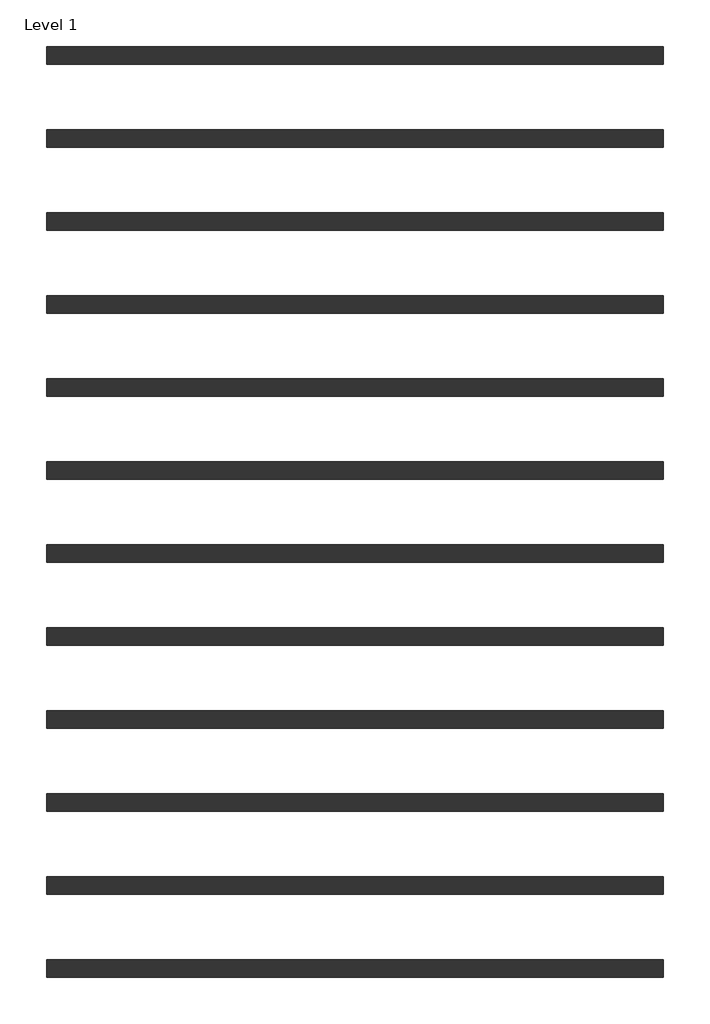
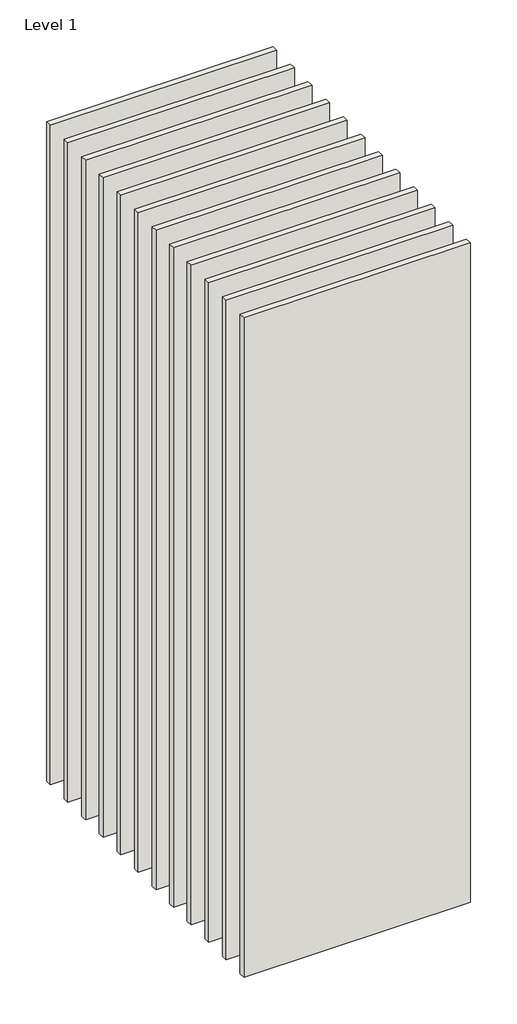
# One storey: 12 walls.
"""IFC4 building model written with IfcOpenShell, lengths in millimetres."""

from ifc_helpers import new_model, si_unit, origin, origin_with_axes, place, context, project, spatial, polyline, outline, extrude, element, save

model = new_model("IFC4")

# Units and contexts
model_context = context("Model", 3, world=origin())
ifc_project = project(units=[si_unit("LENGTHUNIT", "METRE", prefix="MILLI")], contexts=[model_context])

# Site, building, storey
site = spatial("IfcSite", under=ifc_project)
building = spatial("IfcBuilding", under=site)
storey = spatial("IfcBuildingStorey", under=building, Name="Level 1", Elevation=0.0)

# Walls
placement = place(None, origin())
element("IfcWall", 1, at=placement, inside=storey, context=model_context, shape_type="SweptSolid", body=[
    extrude(outline(polyline([(-16904.1464237, 4748.9042935), (-19504.1464237, 4748.9042935), (-19504.1464237, 4823.9042935), (-16904.1464237, 4823.9042935), (-16904.1464237, 4748.9042935)])), origin_with_axes(), (0.0, 0.0, 1.0), 8000.0),
])
element("IfcWall", 2, at=placement, inside=storey, context=model_context, shape_type="SweptSolid", body=[
    extrude(outline(polyline([(-16904.1464237, 5448.9042935), (-19504.1464237, 5448.9042935), (-19504.1464237, 5523.9042935), (-16904.1464237, 5523.9042935), (-16904.1464237, 5448.9042935)])), origin_with_axes(), (0.0, 0.0, 1.0), 8000.0),
])
element("IfcWall", 3, at=placement, inside=storey, context=model_context, shape_type="SweptSolid", body=[
    extrude(outline(polyline([(-16904.1464237, 4398.9042935), (-19504.1464237, 4398.9042935), (-19504.1464237, 4473.9042935), (-16904.1464237, 4473.9042935), (-16904.1464237, 4398.9042935)])), origin_with_axes(), (0.0, 0.0, 1.0), 8000.0),
])
element("IfcWall", 4, at=placement, inside=storey, context=model_context, shape_type="SweptSolid", body=[
    extrude(outline(polyline([(-16904.1464237, 4048.9042935), (-19504.1464237, 4048.9042935), (-19504.1464237, 4123.9042935), (-16904.1464237, 4123.9042935), (-16904.1464237, 4048.9042935)])), origin_with_axes(), (0.0, 0.0, 1.0), 8000.0),
])
element("IfcWall", 5, at=placement, inside=storey, context=model_context, shape_type="SweptSolid", body=[
    extrude(outline(polyline([(-16904.1464237, 5798.9042935), (-19504.1464237, 5798.9042935), (-19504.1464237, 5873.9042935), (-16904.1464237, 5873.9042935), (-16904.1464237, 5798.9042935)])), origin_with_axes(), (0.0, 0.0, 1.0), 8000.0),
])
element("IfcWall", 6, at=placement, inside=storey, context=model_context, shape_type="SweptSolid", body=[
    extrude(outline(polyline([(-16904.1464237, 5098.9042935), (-19504.1464237, 5098.9042935), (-19504.1464237, 5173.9042935), (-16904.1464237, 5173.9042935), (-16904.1464237, 5098.9042935)])), origin_with_axes(), (0.0, 0.0, 1.0), 8000.0),
])
element("IfcWall", 7, at=placement, inside=storey, context=model_context, shape_type="SweptSolid", body=[
    extrude(outline(polyline([(-16904.1464237, 2648.9042935), (-19504.1464237, 2648.9042935), (-19504.1464237, 2723.9042935), (-16904.1464237, 2723.9042935), (-16904.1464237, 2648.9042935)])), origin_with_axes(), (0.0, 0.0, 1.0), 8000.0),
])
element("IfcWall", 8, at=placement, inside=storey, context=model_context, shape_type="SweptSolid", body=[
    extrude(outline(polyline([(-16904.1464237, 3348.9042935), (-19504.1464237, 3348.9042935), (-19504.1464237, 3423.9042935), (-16904.1464237, 3423.9042935), (-16904.1464237, 3348.9042935)])), origin_with_axes(), (0.0, 0.0, 1.0), 8000.0),
])
element("IfcWall", 9, at=placement, inside=storey, context=model_context, shape_type="SweptSolid", body=[
    extrude(outline(polyline([(-16904.1464237, 2298.9042935), (-19504.1464237, 2298.9042935), (-19504.1464237, 2373.9042935), (-16904.1464237, 2373.9042935), (-16904.1464237, 2298.9042935)])), origin_with_axes(), (0.0, 0.0, 1.0), 8000.0),
])
element("IfcWall", 10, at=placement, inside=storey, context=model_context, shape_type="SweptSolid", body=[
    extrude(outline(polyline([(-16904.1464237, 1948.9042935), (-19504.1464237, 1948.9042935), (-19504.1464237, 2023.9042935), (-16904.1464237, 2023.9042935), (-16904.1464237, 1948.9042935)])), origin_with_axes(), (0.0, 0.0, 1.0), 8000.0),
])
element("IfcWall", 11, at=placement, inside=storey, context=model_context, shape_type="SweptSolid", body=[
    extrude(outline(polyline([(-16904.1464237, 3698.9042935), (-19504.1464237, 3698.9042935), (-19504.1464237, 3773.9042935), (-16904.1464237, 3773.9042935), (-16904.1464237, 3698.9042935)])), origin_with_axes(), (0.0, 0.0, 1.0), 8000.0),
])
element("IfcWall", 12, at=placement, inside=storey, context=model_context, shape_type="SweptSolid", body=[
    extrude(outline(polyline([(-16904.1464237, 2998.9042935), (-19504.1464237, 2998.9042935), (-19504.1464237, 3073.9042935), (-16904.1464237, 3073.9042935), (-16904.1464237, 2998.9042935)])), origin_with_axes(), (0.0, 0.0, 1.0), 8000.0),
])

save(model, "model.ifc")
